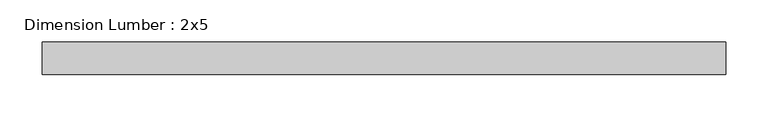
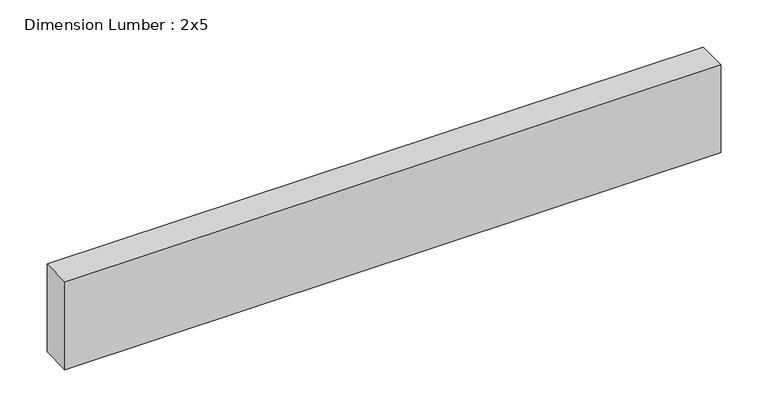
"""IFC4 building model written with IfcOpenShell, lengths in millimetres: beam geometry, Dimension Lumber : 2x5."""

import ifcopenshell
import ifcopenshell.guid

model = None  # the IFC model being written
_history = None  # IfcOwnerHistory: only IFC2X3 demands one
_inside = {}  # id of a spatial element -> (the spatial element, [elements in it])
_under = {}  # id of a project, library or spatial element -> (it, [spatial elements below it])
_declared = {}  # id of a project -> (the project, [libraries it declares])
_typed = {}  # id of a type object -> (the type object, [elements of that type])
_made_of = {}  # id of a material, layer set ... -> (it, [elements and type objects made of it])


def new_model(schema):
    """Start an empty IFC model of exactly this schema.

    Asked for "IFC4X3", IfcOpenShell would pick the latest addendum, in which some entities
    have other attributes; the version numbers below select the first issue.
    IFC2X3 requires an IfcOwnerHistory on every rooted entity: one is made here for all.
    """
    global model, _history
    if schema == "IFC4X3":
        model = ifcopenshell.file(schema_version=(4, 3, 0, 0))
    else:
        model = ifcopenshell.file(schema=schema)
    _inside.clear()
    _under.clear()
    _declared.clear()
    _typed.clear()
    _made_of.clear()
    _history = None
    if model.schema == "IFC2X3":
        org = make("IfcOrganization", Name="unknown")
        user = make(
            "IfcPersonAndOrganization",
            ThePerson=make("IfcPerson", FamilyName="unknown"),
            TheOrganization=org,
        )
        app = make(
            "IfcApplication",
            ApplicationDeveloper=org,
            Version="unknown",
            ApplicationFullName="unknown",
            ApplicationIdentifier="unknown",
        )
        _history = make(
            "IfcOwnerHistory",
            OwningUser=user,
            OwningApplication=app,
            ChangeAction="ADDED",
            CreationDate=0,
        )
    return model


def make(cls, **values):
    """One entity of the class cls with the attributes given. An attribute that is None is left unset."""
    return model.create_entity(
        cls, **{name: value for name, value in values.items() if value is not None}
    )


def rooted(cls, **values):
    """An entity with a GlobalId (a new one), such as an element, a storey or a relation."""
    return make(cls, GlobalId=ifcopenshell.guid.new(), OwnerHistory=_history, **values)


def si_unit(unit_type, name, prefix=None):
    """IfcSIUnit, for example si_unit("LENGTHUNIT", "METRE", prefix="MILLI")."""
    return make("IfcSIUnit", UnitType=unit_type, Prefix=prefix, Name=name)


def assignment(units):
    """IfcUnitAssignment: the units of a project."""
    return None if units is None else make("IfcUnitAssignment", Units=units)


def point(xyz):
    """IfcCartesianPoint."""
    return None if xyz is None else make("IfcCartesianPoint", Coordinates=xyz)


def direction(xyz):
    """IfcDirection."""
    return None if xyz is None else make("IfcDirection", DirectionRatios=xyz)


def frame(location, z_axis=None, x_axis=None):
    """IfcAxis2Placement3D, a coordinate frame: its origin and axes. An axis left out is left unset."""
    return make(
        "IfcAxis2Placement3D",
        Location=point(location),
        Axis=direction(z_axis),
        RefDirection=direction(x_axis),
    )


def origin():
    """The frame at (0, 0, 0) with its axes left unset."""
    return frame((0.0, 0.0, 0.0))


def place(relative_to, where):
    """IfcLocalPlacement: puts the frame where relative to a parent placement (None: the world)."""
    return make(
        "IfcLocalPlacement", PlacementRelTo=relative_to, RelativePlacement=where
    )


def context(
    kind, dimensions, precision=None, world=None, true_north=None, identifier=None
):
    """IfcGeometricRepresentationContext, for example the 3D "Model" context."""
    return make(
        "IfcGeometricRepresentationContext",
        ContextIdentifier=identifier,
        ContextType=kind,
        CoordinateSpaceDimension=dimensions,
        Precision=precision,
        WorldCoordinateSystem=world,
        TrueNorth=true_north,
    )


def project(units=None, contexts=None):
    """IfcProject with its units and contexts."""
    return rooted(
        "IfcProject",
        Name="project",
        RepresentationContexts=contexts,
        UnitsInContext=assignment(units),
    )


def spatial(cls, under=None, at=None, **own):
    """A site, building, storey or space (cls), placed at a placement, below another one or the project."""
    s = rooted(cls, ObjectPlacement=at, **own)
    if under is not None:
        _under.setdefault(under.id(), (under, []))[1].append(s)
    return s


def polyline(points):
    """IfcPolyline through the points."""
    return make("IfcPolyline", Points=[point(p) for p in points])


def outline(outer, holes=None, kind="AREA"):
    """IfcArbitraryClosedProfileDef: a profile drawn as a closed curve; with holes, ...WithVoids."""
    if holes is None:
        return make("IfcArbitraryClosedProfileDef", ProfileType=kind, OuterCurve=outer)
    return make(
        "IfcArbitraryProfileDefWithVoids",
        ProfileType=kind,
        OuterCurve=outer,
        InnerCurves=holes,
    )


def extrude(swept, where, along, depth):
    """IfcExtrudedAreaSolid: the profile swept, set in the frame where, extruded along a direction by depth."""
    return make(
        "IfcExtrudedAreaSolid",
        SweptArea=swept,
        Position=where,
        ExtrudedDirection=direction(along),
        Depth=depth,
    )


def shape(context_of_items, identifier, shape_type, items):
    """IfcShapeRepresentation: the items that make up one representation, for example the "Body"."""
    return make(
        "IfcShapeRepresentation",
        ContextOfItems=context_of_items,
        RepresentationIdentifier=identifier,
        RepresentationType=shape_type,
        Items=items,
    )


def source(mapping_origin, context_of_items, identifier, shape_type, items):
    """IfcRepresentationMap: a shape defined once, which mapped items show again and again."""
    return make(
        "IfcRepresentationMap",
        MappingOrigin=mapping_origin,
        MappedRepresentation=shape(context_of_items, identifier, shape_type, items),
    )


def transform(
    local_origin,
    x_axis=None,
    y_axis=None,
    z_axis=None,
    scale=None,
    scale2=None,
    scale3=None,
    uniform=True,
):
    """IfcCartesianTransformationOperator3D, or its non-uniform kind. x_axis, y_axis, z_axis: its Axis1, 2, 3."""
    if uniform:
        return make(
            "IfcCartesianTransformationOperator3D",
            Axis1=direction(x_axis),
            Axis2=direction(y_axis),
            LocalOrigin=point(local_origin),
            Scale=scale,
            Axis3=direction(z_axis),
        )
    return make(
        "IfcCartesianTransformationOperator3DnonUniform",
        Axis1=direction(x_axis),
        Axis2=direction(y_axis),
        LocalOrigin=point(local_origin),
        Scale=scale,
        Axis3=direction(z_axis),
        Scale2=scale2,
        Scale3=scale3,
    )


def mapped(mapping_source, mapping_target):
    """IfcMappedItem: shows the shape of a source again, moved by a transform."""
    return make(
        "IfcMappedItem", MappingSource=mapping_source, MappingTarget=mapping_target
    )


def made_of(thing, what):
    """Note that an element or type object is made of a material, layer set ...; save() writes the relation."""
    if what is not None:
        _made_of.setdefault(what.id(), (what, []))[1].append(thing)
    return thing


def element(
    cls,
    number,
    at=None,
    inside=None,
    cuts=None,
    type_object=None,
    material=None,
    context=None,
    identifier="Body",
    shape_type=None,
    held_by="IfcProductDefinitionShape",
    body=None,
    shapes=None,
    **own,
):
    """One element of the class cls, such as IfcWall. Its Tag is "e" and its number.

    at: its placement. inside: the storey or other place that contains it. cuts: it is an
    opening in that element (IfcRelVoidsElement). A single representation is given by context,
    identifier, shape_type and body (its items); several are given by shapes. held_by: the class
    of the entity that holds the representations. save() writes the other relations.
    """
    e = rooted(cls, Tag="e%d" % number, ObjectPlacement=at, **own)
    if body is not None:
        shapes = [shape(context, identifier, shape_type, body)]
    if shapes is not None:
        e.Representation = make(held_by, Representations=shapes)
    if inside is not None:
        _inside.setdefault(inside.id(), (inside, []))[1].append(e)
    if cuts is not None:
        rooted(
            "IfcRelVoidsElement", RelatingBuildingElement=cuts, RelatedOpeningElement=e
        )
    if type_object is not None:
        _typed.setdefault(type_object.id(), (type_object, []))[1].append(e)
    return made_of(e, material)


def aggregate(whole, parts):
    """IfcRelAggregates: a whole, such as a stair, and the parts it consists of."""
    return rooted("IfcRelAggregates", RelatingObject=whole, RelatedObjects=parts)


def save(model, path):
    """Write the relations noted so far, then the file.

    IfcRelAggregates (storeys below a building ...), IfcRelContainedInSpatialStructure (elements
    in a storey), IfcRelDefinesByType, IfcRelAssociatesMaterial and IfcRelDeclares: one each for
    every whole, place, type object, material and project.
    """
    for whole, parts in _under.values():
        aggregate(whole, parts)
    for where, things in _inside.values():
        rooted(
            "IfcRelContainedInSpatialStructure",
            RelatedElements=things,
            RelatingStructure=where,
        )
    for kind, things in _typed.values():
        rooted("IfcRelDefinesByType", RelatedObjects=things, RelatingType=kind)
    for what, things in _made_of.values():
        rooted("IfcRelAssociatesMaterial", RelatedObjects=things, RelatingMaterial=what)
    for by, libraries in _declared.values():
        rooted("IfcRelDeclares", RelatingContext=by, RelatedDefinitions=libraries)
    model.write(path)


def dimension_lumber_2x5_ed0e5491(model_context):
    return source(origin(), model_context, "Body", "SweptSolid", [
        extrude(outline(polyline([(402.5887707, 19.05), (402.5887707, -19.05), (-402.5887707, -19.05), (-402.5887707, 19.05), (402.5887707, 19.05)])), frame((0.0, 0.0, -57.15), z_axis=(0.0, 0.0, 1.0), x_axis=(1.0, 0.0, 0.0)), (0.0, 0.0, 1.0), 114.3),
    ])


if __name__ == "__main__":
    model = new_model("IFC4")
    model_context = context("Model", 3, world=origin())
    ifc_project = project(units=[si_unit("LENGTHUNIT", "METRE", prefix="MILLI")], contexts=[model_context])
    site = spatial("IfcSite", under=ifc_project)
    building = spatial("IfcBuilding", under=site)
    placement = place(None, origin())
    dimension_lumber_2x5_shape = dimension_lumber_2x5_ed0e5491(model_context)
    element("IfcBeam", 1, ObjectType="Dimension Lumber : 2x5", at=placement, inside=building, context=model_context, shape_type="MappedRepresentation", body=[
        mapped(dimension_lumber_2x5_shape, transform((0.0, 0.0, 0.0), x_axis=(1.0, 0.0, 0.0), y_axis=(0.0, 1.0, 0.0), z_axis=(0.0, 0.0, 1.0))),
    ])
    save(model, "model.ifc")
